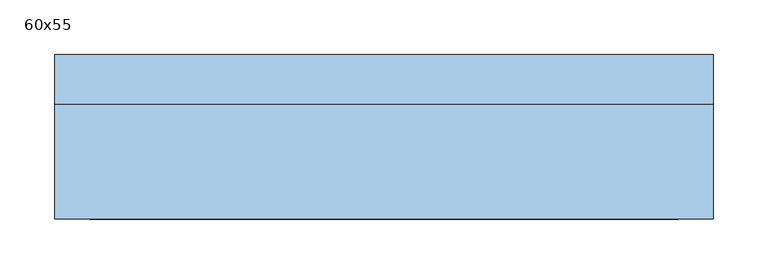
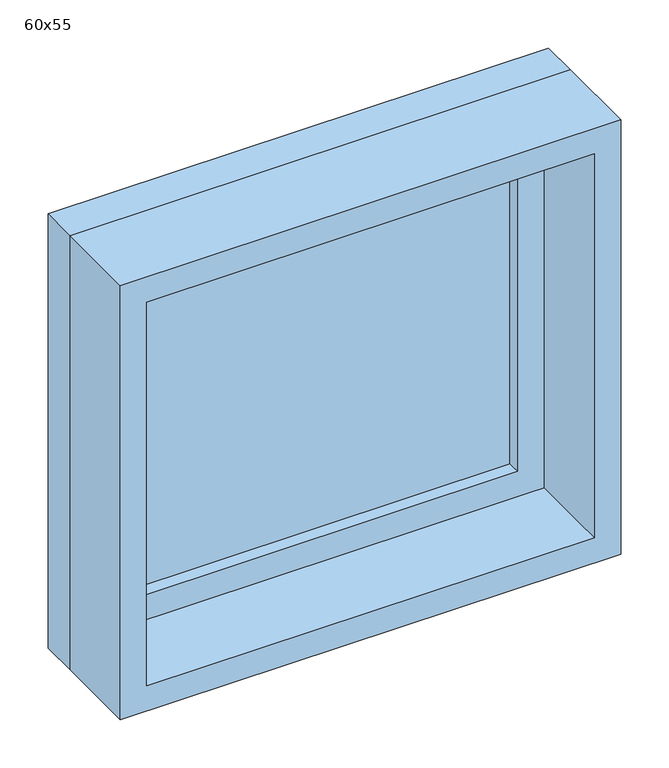
"""IFC4 building model written with IfcOpenShell, lengths in millimetres: window geometry, 60x55."""

from ifc_helpers import new_model, si_unit, frame, origin, place, context, project, spatial, polyline, outline, extrude, source, transform, mapped, element, save


def window_60x55_ad2771fe(model_context):
    return source(origin(), model_context, "Body", "SweptSolid", [
        extrude(outline(polyline([(198.4, 45.425), (-274.6, 45.425), (-274.6, 58.125), (198.4, 58.125), (198.4, 45.425)])), frame((0.0, 0.0, 963.5), z_axis=(0.0, 0.0, 1.0), x_axis=(1.0, 0.0, 0.0)), (0.0, 0.0, 1.0), 423.0),
        extrude(outline(polyline([(1430.95, -319.05), (919.05, -319.05), (919.05, 242.85), (1430.95, 242.85), (1430.95, -319.05)]), holes=[polyline([(1386.5, -274.6), (1386.5, 198.4), (963.5, 198.4), (963.5, -274.6), (1386.5, -274.6)])]), frame((0.0, 29.55, 0.0), z_axis=(0.0, 1.0, 0.0), x_axis=(0.0, 0.0, 1.0)), (0.0, 0.0, 1.0), 44.45),
        extrude(outline(polyline([(1450.0, -338.1), (900.0, -338.1), (900.0, 261.9), (1450.0, 261.9), (1450.0, -338.1)]), holes=[polyline([(1418.25, -306.35), (1418.25, 230.15), (931.75, 230.15), (931.75, -306.35), (1418.25, -306.35)])]), frame((0.0, -75.0, 0.0), z_axis=(0.0, 1.0, 0.0), x_axis=(0.0, 0.0, 1.0)), (0.0, 0.0, 1.0), 104.55),
        extrude(outline(polyline([(1450.0, 261.9), (1450.0, -338.1), (900.0, -338.1), (900.0, 261.9), (1450.0, 261.9)]), holes=[polyline([(1430.95, 242.85), (919.05, 242.85), (919.05, -319.05), (1430.95, -319.05), (1430.95, 242.85)])]), frame((0.0, 29.55, 0.0), z_axis=(0.0, 1.0, 0.0), x_axis=(0.0, 0.0, 1.0)), (0.0, 0.0, 1.0), 45.45),
    ])


if __name__ == "__main__":
    model = new_model("IFC4")
    model_context = context("Model", 3, world=origin())
    ifc_project = project(units=[si_unit("LENGTHUNIT", "METRE", prefix="MILLI")], contexts=[model_context])
    site = spatial("IfcSite", under=ifc_project)
    building = spatial("IfcBuilding", under=site)
    placement = place(None, origin())
    window_60x55_shape = window_60x55_ad2771fe(model_context)
    element("IfcWindow", 1, ObjectType="60x55", at=placement, inside=building, context=model_context, shape_type="MappedRepresentation", body=[
        mapped(window_60x55_shape, transform((0.0, 0.0, 0.0), x_axis=(1.0, 0.0, 0.0), y_axis=(0.0, 1.0, 0.0), z_axis=(0.0, 0.0, 1.0))),
    ])
    save(model, "model.ifc")
